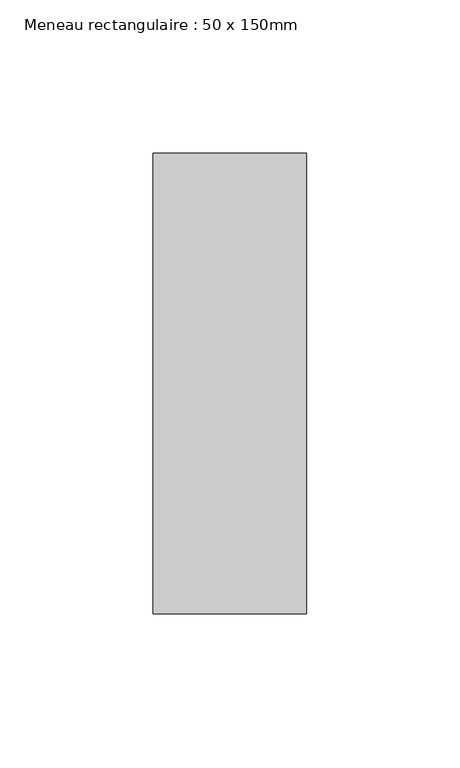
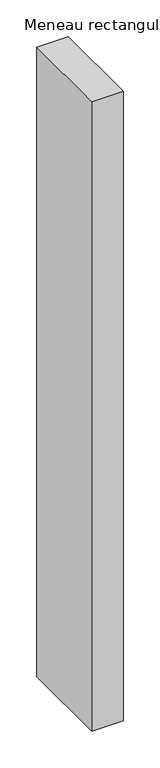
"""IFC4 building model written with IfcOpenShell, lengths in millimetres: member geometry, Meneau rectangulaire : 50 x 150mm."""

from ifc_helpers import new_model, si_unit, frame, origin, place, context, project, spatial, polyline, outline, extrude, source, transform, mapped, element, save


def meneau_rectangulaire_50_x_150mm_a9c68ae1(model_context):
    return source(origin(), model_context, "Body", "SweptSolid", [
        extrude(outline(polyline([(25.0, 75.0), (25.0, -75.0), (-25.0, -75.0), (-25.0, 75.0), (25.0, 75.0)])), frame((0.0, 0.0, -1050.0), z_axis=(0.0, 0.0, 1.0), x_axis=(1.0, 0.0, 0.0)), (0.0, 0.0, 1.0), 1050.0),
    ])


if __name__ == "__main__":
    model = new_model("IFC4")
    model_context = context("Model", 3, world=origin())
    ifc_project = project(units=[si_unit("LENGTHUNIT", "METRE", prefix="MILLI")], contexts=[model_context])
    site = spatial("IfcSite", under=ifc_project)
    building = spatial("IfcBuilding", under=site)
    placement = place(None, origin())
    meneau_rectangulaire_50_x_150mm_shape = meneau_rectangulaire_50_x_150mm_a9c68ae1(model_context)
    element("IfcMember", 1, ObjectType="Meneau rectangulaire : 50 x 150mm", at=placement, inside=building, context=model_context, shape_type="MappedRepresentation", body=[
        mapped(meneau_rectangulaire_50_x_150mm_shape, transform((0.0, 0.0, 0.0), x_axis=(1.0, 0.0, 0.0), y_axis=(0.0, 1.0, 0.0), z_axis=(0.0, 0.0, 1.0))),
    ])
    save(model, "model.ifc")
